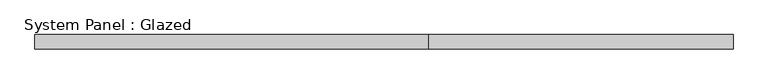
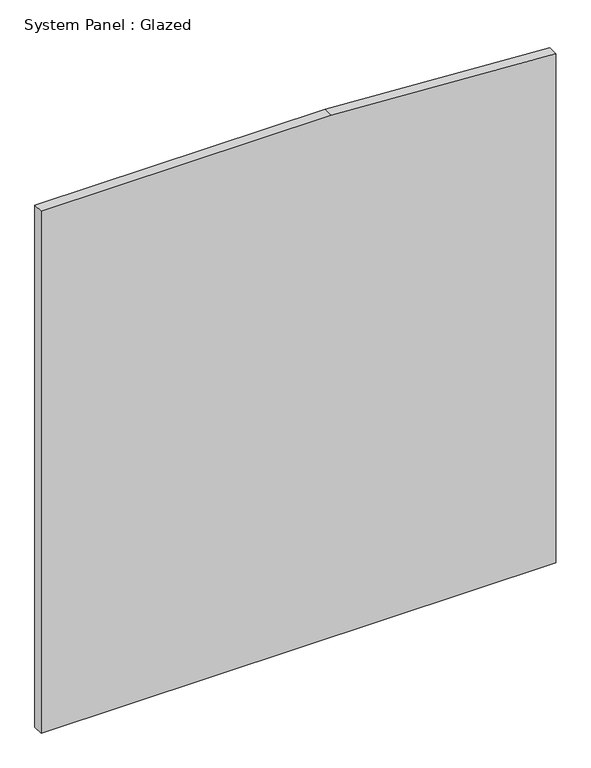
"""IFC4 building model written with IfcOpenShell, lengths in millimetres: plate geometry, System Panel : Glazed."""

from ifc_helpers import new_model, si_unit, point, frame, frame_2d, origin, place, context, project, spatial, polyline, circle_curve, trimmed, segment, composite_curve, outline, extrude, source, transform, mapped, element, save


def system_panel_glazed_95a58fdf(model_context):
    return source(origin(), model_context, "Body", "SweptSolid", [
        extrude(outline(composite_curve([segment(polyline([(0.0, -619.125), (0.0, 619.125), (1294.7244171, 619.125)]), True, "CONTINUOUS"), segment(trimmed(circle_curve(frame_2d((-3181.35, 79.375)), 4508.5), [point((1294.7244171, 619.125))], [point((1327.15, 79.375))], False, "CARTESIAN"), True, "CONTINUOUS"), segment(polyline([(1327.15, 79.375), (1327.15, -619.125), (0.0, -619.125)]), True, "CONTINUOUS")], self_intersect=False)), frame((0.0, 19.05, 0.0), z_axis=(0.0, 1.0, 0.0), x_axis=(0.0, 0.0, 1.0)), (0.0, 0.0, 1.0), 25.4),
    ])


if __name__ == "__main__":
    model = new_model("IFC4")
    model_context = context("Model", 3, world=origin())
    ifc_project = project(units=[si_unit("LENGTHUNIT", "METRE", prefix="MILLI")], contexts=[model_context])
    site = spatial("IfcSite", under=ifc_project)
    building = spatial("IfcBuilding", under=site)
    placement = place(None, origin())
    system_panel_glazed_shape = system_panel_glazed_95a58fdf(model_context)
    element("IfcPlate", 1, ObjectType="System Panel : Glazed", at=placement, inside=building, context=model_context, shape_type="MappedRepresentation", body=[
        mapped(system_panel_glazed_shape, transform((0.0, 0.0, 0.0), x_axis=(1.0, 0.0, 0.0), y_axis=(0.0, 1.0, 0.0), z_axis=(0.0, 0.0, 1.0))),
    ])
    save(model, "model.ifc")
